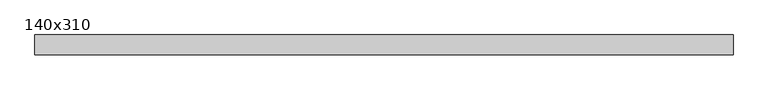
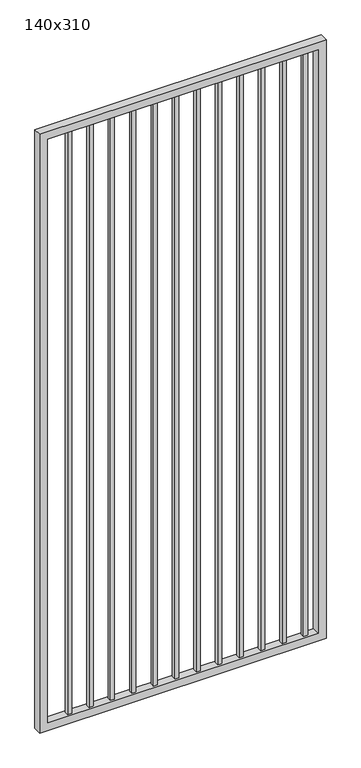
"""IFC4 building model written with IfcOpenShell, lengths in millimetres: proxy geometry, 140x310."""

from ifc_helpers import new_model, si_unit, frame, origin, place, context, project, spatial, polyline, outline, extrude, source, transform, mapped, element, save


def proxy_140x310_b4595430(model_context):
    return source(origin(), model_context, "Body", "SweptSolid", [
        extrude(outline(polyline([(1304.925, -9.525), (1285.875, -9.525), (1285.875, 9.525), (1304.925, 9.525), (1304.925, -9.525)])), frame((0.0, 0.0, 139.7), z_axis=(0.0, 0.0, 1.0), x_axis=(1.0, 0.0, 0.0)), (0.0, 0.0, 1.0), 2930.0),
        extrude(outline(polyline([(1203.325, -9.525), (1184.275, -9.525), (1184.275, 9.525), (1203.325, 9.525), (1203.325, -9.525)])), frame((0.0, 0.0, 139.7), z_axis=(0.0, 0.0, 1.0), x_axis=(1.0, 0.0, 0.0)), (0.0, 0.0, 1.0), 2930.0),
        extrude(outline(polyline([(1101.725, -9.525), (1082.675, -9.525), (1082.675, 9.525), (1101.725, 9.525), (1101.725, -9.525)])), frame((0.0, 0.0, 139.7), z_axis=(0.0, 0.0, 1.0), x_axis=(1.0, 0.0, 0.0)), (0.0, 0.0, 1.0), 2930.0),
        extrude(outline(polyline([(1000.125, -9.525), (981.075, -9.525), (981.075, 9.525), (1000.125, 9.525), (1000.125, -9.525)])), frame((0.0, 0.0, 139.7), z_axis=(0.0, 0.0, 1.0), x_axis=(1.0, 0.0, 0.0)), (0.0, 0.0, 1.0), 2930.0),
        extrude(outline(polyline([(898.525, -9.525), (879.475, -9.525), (879.475, 9.525), (898.525, 9.525), (898.525, -9.525)])), frame((0.0, 0.0, 139.7), z_axis=(0.0, 0.0, 1.0), x_axis=(1.0, 0.0, 0.0)), (0.0, 0.0, 1.0), 2930.0),
        extrude(outline(polyline([(796.925, -9.525), (777.875, -9.525), (777.875, 9.525), (796.925, 9.525), (796.925, -9.525)])), frame((0.0, 0.0, 139.7), z_axis=(0.0, 0.0, 1.0), x_axis=(1.0, 0.0, 0.0)), (0.0, 0.0, 1.0), 2930.0),
        extrude(outline(polyline([(695.325, -9.525), (676.275, -9.525), (676.275, 9.525), (695.325, 9.525), (695.325, -9.525)])), frame((0.0, 0.0, 139.7), z_axis=(0.0, 0.0, 1.0), x_axis=(1.0, 0.0, 0.0)), (0.0, 0.0, 1.0), 2930.0),
        extrude(outline(polyline([(593.725, -9.525), (574.675, -9.525), (574.675, 9.525), (593.725, 9.525), (593.725, -9.525)])), frame((0.0, 0.0, 139.7), z_axis=(0.0, 0.0, 1.0), x_axis=(1.0, 0.0, 0.0)), (0.0, 0.0, 1.0), 2930.0),
        extrude(outline(polyline([(492.125, -9.525), (473.075, -9.525), (473.075, 9.525), (492.125, 9.525), (492.125, -9.525)])), frame((0.0, 0.0, 139.7), z_axis=(0.0, 0.0, 1.0), x_axis=(1.0, 0.0, 0.0)), (0.0, 0.0, 1.0), 2930.0),
        extrude(outline(polyline([(390.525, -9.525), (371.475, -9.525), (371.475, 9.525), (390.525, 9.525), (390.525, -9.525)])), frame((0.0, 0.0, 139.7), z_axis=(0.0, 0.0, 1.0), x_axis=(1.0, 0.0, 0.0)), (0.0, 0.0, 1.0), 2930.0),
        extrude(outline(polyline([(288.925, -9.525), (269.875, -9.525), (269.875, 9.525), (288.925, 9.525), (288.925, -9.525)])), frame((0.0, 0.0, 139.7), z_axis=(0.0, 0.0, 1.0), x_axis=(1.0, 0.0, 0.0)), (0.0, 0.0, 1.0), 2930.0),
        extrude(outline(polyline([(187.325, -9.525), (168.275, -9.525), (168.275, 9.525), (187.325, 9.525), (187.325, -9.525)])), frame((0.0, 0.0, 139.7), z_axis=(0.0, 0.0, 1.0), x_axis=(1.0, 0.0, 0.0)), (0.0, 0.0, 1.0), 2930.0),
        extrude(outline(polyline([(3100.0, 1387.3), (3100.0, 30.0), (101.6, 30.0), (101.6, 1387.3), (3100.0, 1387.3)]), holes=[polyline([(139.7, 1349.2), (139.7, 68.1), (3061.9, 68.1), (3061.9, 1349.2), (139.7, 1349.2)])]), frame((0.0, -19.05, 0.0), z_axis=(0.0, 1.0, 0.0), x_axis=(0.0, 0.0, 1.0)), (0.0, 0.0, 1.0), 38.1),
    ])


if __name__ == "__main__":
    model = new_model("IFC4")
    model_context = context("Model", 3, world=origin())
    ifc_project = project(units=[si_unit("LENGTHUNIT", "METRE", prefix="MILLI")], contexts=[model_context])
    site = spatial("IfcSite", under=ifc_project)
    building = spatial("IfcBuilding", under=site)
    placement = place(None, origin())
    proxy_140x310_shape = proxy_140x310_b4595430(model_context)
    element("IfcBuildingElementProxy", 1, Name="140x310", ObjectType="140x310", at=placement, inside=building, context=model_context, shape_type="MappedRepresentation", body=[
        mapped(proxy_140x310_shape, transform((0.0, 0.0, 0.0), x_axis=(1.0, 0.0, 0.0), y_axis=(0.0, 1.0, 0.0), z_axis=(0.0, 0.0, 1.0))),
    ])
    save(model, "model.ifc")
